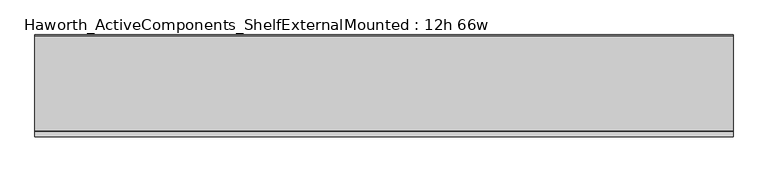
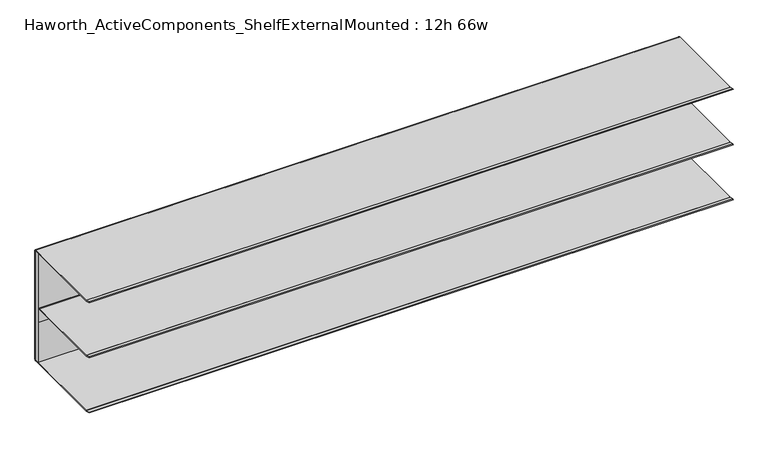
"""IFC4 building model written with IfcOpenShell, lengths in millimetres: furniture geometry, Haworth_ActiveComponents_ShelfExternalMounted : 12h 66w."""

from ifc_helpers import new_model, si_unit, point, frame, frame_2d, origin, place, context, project, spatial, polyline, circle_curve, trimmed, segment, composite_curve, outline, extrude, source, transform, mapped, element, save


def haworth_activecomponents_shelfexternalmounted_12h_66w_70b045db(model_context):
    return source(origin(), model_context, "Body", "SweptSolid", [
        extrude(outline(polyline([(-2489.146931, -1108.8104248), (-2489.146931, -1096.1601932), (-812.746931, -1096.1601932), (-812.746931, -1108.8104248), (-2489.146931, -1108.8104248)])), frame((0.0, 0.0, 587.0955999), z_axis=(0.0, 0.0, 1.0), x_axis=(1.0, 0.0, 0.0)), (0.0, 0.0, 1.0), 299.0087945),
        extrude(outline(composite_curve([segment(polyline([(-1097.380424, 584.2), (-1325.9274211, 584.2)]), True, "CONTINUOUS"), segment(trimmed(circle_curve(frame_2d((-1325.9274211, 587.375)), 3.175), [point((-1325.9274211, 584.2))], [point((-1326.7491675, 584.3081844))], False, "CARTESIAN"), True, "CONTINUOUS"), segment(polyline([(-1326.7491675, 584.3081844), (-1338.9841932, 587.5865324), (-1338.4911456, 589.426621), (-1326.4983733, 586.2131843)]), True, "CONTINUOUS"), segment(trimmed(circle_curve(frame_2d((-1325.6766268, 589.2799999)), 3.175), [point((-1326.4983733, 586.2131843))], [point((-1325.6766268, 586.1049999))], True, "CARTESIAN"), True, "CONTINUOUS"), segment(polyline([(-1325.6766268, 586.1049999), (-1097.1943019, 586.1049999)]), True, "CONTINUOUS"), segment(trimmed(circle_curve(frame_2d((-1097.1943019, 587.1888762)), 1.0838764), [point((-1097.1943019, 586.1049999))], [point((-1096.1104256, 587.1888762))], True, "CARTESIAN"), True, "CONTINUOUS"), segment(polyline([(-1096.1104256, 587.1888762), (-1096.1104256, 886.0673706)]), True, "CONTINUOUS"), segment(trimmed(circle_curve(frame_2d((-1097.1380502, 886.0673706)), 1.0276247), [point((-1096.1104256, 886.0673706))], [point((-1097.1380502, 887.0949953))], True, "CARTESIAN"), True, "CONTINUOUS"), segment(polyline([(-1097.1380502, 887.0949953), (-1325.8780783, 887.0949953)]), True, "CONTINUOUS"), segment(trimmed(circle_curve(frame_2d((-1325.8780783, 890.2699953)), 3.175), [point((-1325.8780783, 887.0949953))], [point((-1326.6998504, 887.2031866))], False, "CARTESIAN"), True, "CONTINUOUS"), segment(polyline([(-1326.6998504, 887.2031866), (-1338.9344324, 890.4815255), (-1338.4413666, 892.3216203), (-1326.4490248, 889.1081913)]), True, "CONTINUOUS"), segment(trimmed(circle_curve(frame_2d((-1325.6272527, 892.175)), 3.175), [point((-1326.4490248, 889.1081913))], [point((-1325.6272527, 889.0))], True, "CARTESIAN"), True, "CONTINUOUS"), segment(polyline([(-1325.6272527, 889.0), (-1097.380424, 889.0)]), True, "CONTINUOUS"), segment(trimmed(circle_curve(frame_2d((-1097.380424, 885.825)), 3.175), [point((-1097.380424, 889.0))], [point((-1094.205424, 885.825))], False, "CARTESIAN"), True, "CONTINUOUS"), segment(polyline([(-1094.205424, 885.825), (-1094.205424, 587.375)]), True, "CONTINUOUS"), segment(trimmed(circle_curve(frame_2d((-1097.380424, 587.375)), 3.175), [point((-1094.205424, 587.375))], [point((-1097.380424, 584.2))], False, "CARTESIAN"), True, "CONTINUOUS")], self_intersect=False)), frame((-2489.146931, 0.0, 0.0), z_axis=(1.0, 0.0, 0.0), x_axis=(0.0, 1.0, 0.0)), (0.0, 0.0, 1.0), 1676.4),
        extrude(outline(composite_curve([segment(polyline([(-1338.9344324, 739.0213301), (-1338.4413666, 740.8614249), (-1326.4490005, 737.6479893)]), True, "CONTINUOUS"), segment(trimmed(circle_curve(frame_2d((-1325.6272283, 740.714798)), 3.175), [point((-1326.4490005, 737.6479893))], [point((-1325.6272283, 737.539798))], True, "CARTESIAN"), True, "CONTINUOUS"), segment(polyline([(-1325.6272283, 737.539798), (-1113.319713, 737.539798)]), True, "CONTINUOUS"), segment(trimmed(circle_curve(frame_2d((-1113.319713, 734.5545084)), 2.9852896), [point((-1113.319713, 737.539798))], [point((-1110.3344234, 734.5545084))], False, "CARTESIAN"), True, "CONTINUOUS"), segment(polyline([(-1110.3344234, 734.5545084), (-1110.3344234, 699.439798), (-1112.2394238, 699.439798), (-1112.2394238, 734.6253876)]), True, "CONTINUOUS"), segment(trimmed(circle_curve(frame_2d((-1113.248836, 734.6253876)), 1.0094122), [point((-1112.2394238, 734.6253876))], [point((-1113.248836, 735.6347998))], True, "CARTESIAN"), True, "CONTINUOUS"), segment(polyline([(-1113.248836, 735.6347998), (-1325.8780783, 735.6347998)]), True, "CONTINUOUS"), segment(trimmed(circle_curve(frame_2d((-1325.8780783, 738.8097998)), 3.175), [point((-1325.8780783, 735.6347998))], [point((-1326.6998504, 735.7429911))], False, "CARTESIAN"), True, "CONTINUOUS"), segment(polyline([(-1326.6998504, 735.7429911), (-1338.9344324, 739.0213301)]), True, "CONTINUOUS")], self_intersect=False)), frame((-2489.146931, 0.0, 0.0), z_axis=(1.0, 0.0, 0.0), x_axis=(0.0, 1.0, 0.0)), (0.0, 0.0, 1.0), 1676.4),
    ])


if __name__ == "__main__":
    model = new_model("IFC4")
    model_context = context("Model", 3, world=origin())
    ifc_project = project(units=[si_unit("LENGTHUNIT", "METRE", prefix="MILLI")], contexts=[model_context])
    site = spatial("IfcSite", under=ifc_project)
    building = spatial("IfcBuilding", under=site)
    placement = place(None, origin())
    haworth_activecomponents_shelfexternalmounted_12h_66w_shape = haworth_activecomponents_shelfexternalmounted_12h_66w_70b045db(model_context)
    element("IfcFurniture", 1, ObjectType="Haworth_ActiveComponents_ShelfExternalMounted : 12h 66w", at=placement, inside=building, context=model_context, shape_type="MappedRepresentation", body=[
        mapped(haworth_activecomponents_shelfexternalmounted_12h_66w_shape, transform((0.0, 0.0, 0.0), x_axis=(1.0, 0.0, 0.0), y_axis=(0.0, 1.0, 0.0), z_axis=(0.0, 0.0, 1.0))),
    ])
    save(model, "model.ifc")
